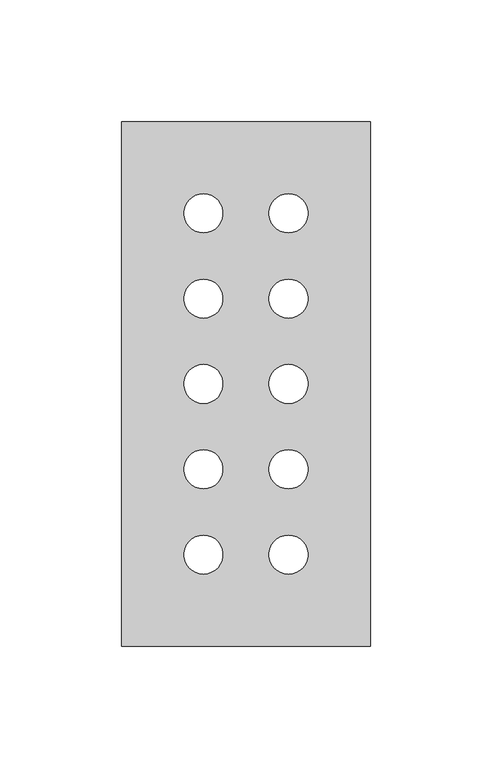
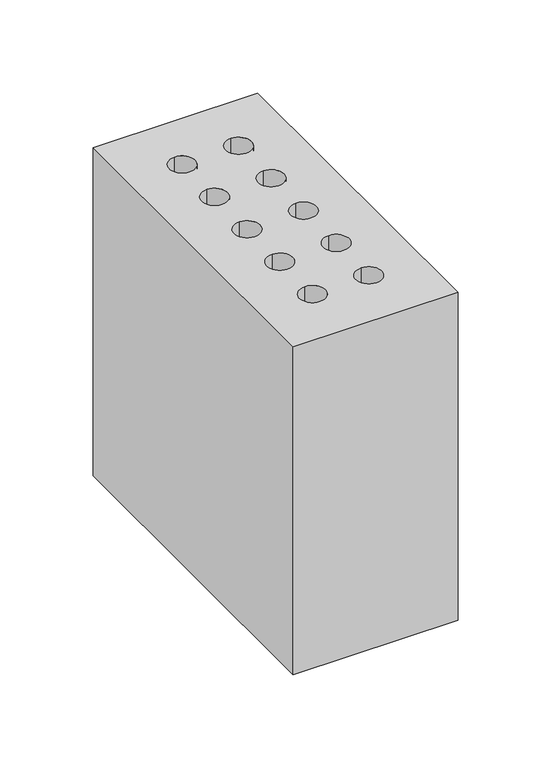
"""IFC4 building model written with IfcOpenShell, lengths in millimetres: proxy geometry."""

from ifc_helpers import new_model, si_unit, point, frame_2d, origin, origin_with_axes, place, context, project, spatial, polyline, circle_curve, trimmed, segment, composite_curve, outline, extrude, source, transform, mapped, element, save


def generic_models_7bfea8ca(model_context):
    return source(origin(), model_context, "Body", "SweptSolid", [
        extrude(outline(polyline([(0.0, 215.0), (102.0, 215.0), (102.0, 0.0), (0.0, 0.0), (0.0, 215.0)]), holes=[composite_curve([segment(trimmed(circle_curve(frame_2d((68.5, 37.5)), 8.0), [point((68.5, 45.5))], [point((68.5, 29.5))], True, "CARTESIAN"), True, "CONTINUOUS"), segment(trimmed(circle_curve(frame_2d((68.5, 37.5)), 8.0), [point((68.5, 29.5))], [point((68.5, 45.5))], True, "CARTESIAN"), True, "CONTINUOUS")], self_intersect=False), composite_curve([segment(trimmed(circle_curve(frame_2d((33.5, 37.5)), 8.0), [point((33.5, 45.5))], [point((33.5, 29.5))], True, "CARTESIAN"), True, "CONTINUOUS"), segment(trimmed(circle_curve(frame_2d((33.5, 37.5)), 8.0), [point((33.5, 29.5))], [point((33.5, 45.5))], True, "CARTESIAN"), True, "CONTINUOUS")], self_intersect=False), composite_curve([segment(trimmed(circle_curve(frame_2d((33.5, 107.5)), 8.0), [point((33.5, 115.5))], [point((33.5, 99.5))], True, "CARTESIAN"), True, "CONTINUOUS"), segment(trimmed(circle_curve(frame_2d((33.5, 107.5)), 8.0), [point((33.5, 99.5))], [point((33.5, 115.5))], True, "CARTESIAN"), True, "CONTINUOUS")], self_intersect=False), composite_curve([segment(trimmed(circle_curve(frame_2d((33.5, 142.5)), 8.0), [point((33.5, 150.5))], [point((33.5, 134.5))], True, "CARTESIAN"), True, "CONTINUOUS"), segment(trimmed(circle_curve(frame_2d((33.5, 142.5)), 8.0), [point((33.5, 134.5))], [point((33.5, 150.5))], True, "CARTESIAN"), True, "CONTINUOUS")], self_intersect=False), composite_curve([segment(trimmed(circle_curve(frame_2d((33.5, 177.5)), 8.0), [point((33.5, 185.5))], [point((33.5, 169.5))], True, "CARTESIAN"), True, "CONTINUOUS"), segment(trimmed(circle_curve(frame_2d((33.5, 177.5)), 8.0), [point((33.5, 169.5))], [point((33.5, 185.5))], True, "CARTESIAN"), True, "CONTINUOUS")], self_intersect=False), composite_curve([segment(trimmed(circle_curve(frame_2d((33.5, 72.5)), 8.0), [point((33.5, 80.5))], [point((33.5, 64.5))], True, "CARTESIAN"), True, "CONTINUOUS"), segment(trimmed(circle_curve(frame_2d((33.5, 72.5)), 8.0), [point((33.5, 64.5))], [point((33.5, 80.5))], True, "CARTESIAN"), True, "CONTINUOUS")], self_intersect=False), composite_curve([segment(trimmed(circle_curve(frame_2d((68.5, 177.5)), 8.0), [point((68.5, 185.5))], [point((68.5, 169.5))], True, "CARTESIAN"), True, "CONTINUOUS"), segment(trimmed(circle_curve(frame_2d((68.5, 177.5)), 8.0), [point((68.5, 169.5))], [point((68.5, 185.5))], True, "CARTESIAN"), True, "CONTINUOUS")], self_intersect=False), composite_curve([segment(trimmed(circle_curve(frame_2d((68.5, 142.5)), 8.0), [point((68.5, 150.5))], [point((68.5, 134.5))], True, "CARTESIAN"), True, "CONTINUOUS"), segment(trimmed(circle_curve(frame_2d((68.5, 142.5)), 8.0), [point((68.5, 134.5))], [point((68.5, 150.5))], True, "CARTESIAN"), True, "CONTINUOUS")], self_intersect=False), composite_curve([segment(trimmed(circle_curve(frame_2d((68.5, 107.5)), 8.0), [point((68.5, 115.5))], [point((68.5, 99.5))], True, "CARTESIAN"), True, "CONTINUOUS"), segment(trimmed(circle_curve(frame_2d((68.5, 107.5)), 8.0), [point((68.5, 99.5))], [point((68.5, 115.5))], True, "CARTESIAN"), True, "CONTINUOUS")], self_intersect=False), composite_curve([segment(trimmed(circle_curve(frame_2d((68.5, 72.5)), 8.0), [point((68.5, 80.5))], [point((68.5, 64.5))], True, "CARTESIAN"), True, "CONTINUOUS"), segment(trimmed(circle_curve(frame_2d((68.5, 72.5)), 8.0), [point((68.5, 64.5))], [point((68.5, 80.5))], True, "CARTESIAN"), True, "CONTINUOUS")], self_intersect=False)]), origin_with_axes(), (0.0, 0.0, 1.0), 215.0),
    ])


if __name__ == "__main__":
    model = new_model("IFC4")
    model_context = context("Model", 3, world=origin())
    ifc_project = project(units=[si_unit("LENGTHUNIT", "METRE", prefix="MILLI")], contexts=[model_context])
    site = spatial("IfcSite", under=ifc_project)
    building = spatial("IfcBuilding", under=site)
    placement = place(None, origin())
    generic_models_shape = generic_models_7bfea8ca(model_context)
    element("IfcBuildingElementProxy", 1, Name="Generic Models", at=placement, inside=building, context=model_context, shape_type="MappedRepresentation", body=[
        mapped(generic_models_shape, transform((0.0, 0.0, 0.0), x_axis=(1.0, 0.0, 0.0), y_axis=(0.0, 1.0, 0.0), z_axis=(0.0, 0.0, 1.0))),
    ])
    save(model, "model.ifc")
